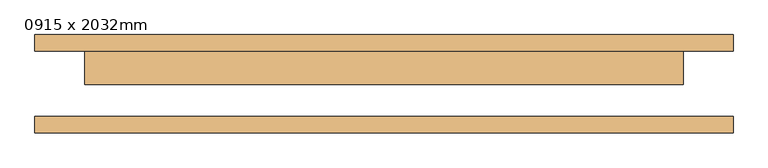
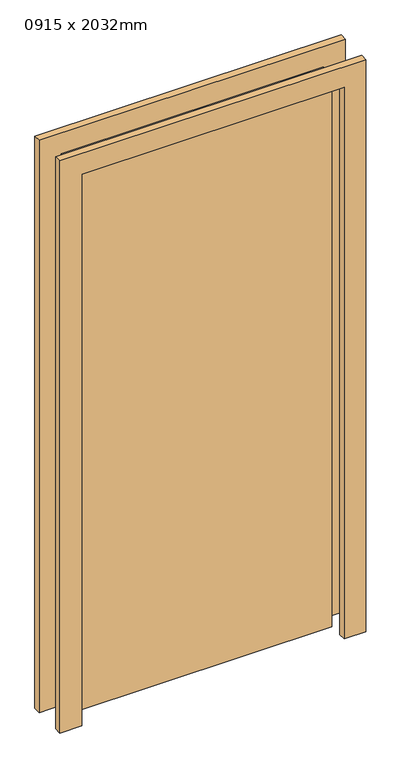
"""IFC4 building model written with IfcOpenShell, lengths in millimetres: door geometry, 0915 x 2032mm."""

from ifc_helpers import new_model, si_unit, frame, origin, origin_with_axes, place, context, project, spatial, polyline, outline, extrude, source, transform, mapped, element, save


def door_0915_x_2032mm_398f57fd(model_context):
    return source(origin(), model_context, "Body", "SweptSolid", [
        extrude(outline(polyline([(2108.0, -533.5), (0.0, -533.5), (0.0, -457.5), (2032.0, -457.5), (2032.0, 457.5), (0.0, 457.5), (0.0, 533.5), (2108.0, 533.5), (2108.0, -533.5)])), frame((0.0, 50.0, 0.0), z_axis=(0.0, 1.0, 0.0), x_axis=(0.0, 0.0, 1.0)), (0.0, 0.0, 1.0), 25.0),
        extrude(outline(polyline([(2108.0, 533.5), (2108.0, -533.5), (0.0, -533.5), (0.0, -457.5), (2032.0, -457.5), (2032.0, 457.5), (0.0, 457.5), (0.0, 533.5), (2108.0, 533.5)])), frame((0.0, -75.0, 0.0), z_axis=(0.0, 1.0, 0.0), x_axis=(0.0, 0.0, 1.0)), (0.0, 0.0, 1.0), 25.0),
        extrude(outline(polyline([(457.5, -1.0), (-457.5, -1.0), (-457.5, 50.0), (457.5, 50.0), (457.5, -1.0)])), origin_with_axes(), (0.0, 0.0, 1.0), 2032.0),
    ])


if __name__ == "__main__":
    model = new_model("IFC4")
    model_context = context("Model", 3, world=origin())
    ifc_project = project(units=[si_unit("LENGTHUNIT", "METRE", prefix="MILLI")], contexts=[model_context])
    site = spatial("IfcSite", under=ifc_project)
    building = spatial("IfcBuilding", under=site)
    placement = place(None, origin())
    door_0915_x_2032mm_shape = door_0915_x_2032mm_398f57fd(model_context)
    element("IfcDoor", 1, ObjectType="0915 x 2032mm", at=placement, inside=building, context=model_context, shape_type="MappedRepresentation", body=[
        mapped(door_0915_x_2032mm_shape, transform((0.0, 0.0, 0.0), x_axis=(1.0, 0.0, 0.0), y_axis=(0.0, 1.0, 0.0), z_axis=(0.0, 0.0, 1.0))),
    ])
    save(model, "model.ifc")
